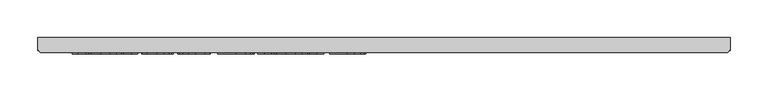
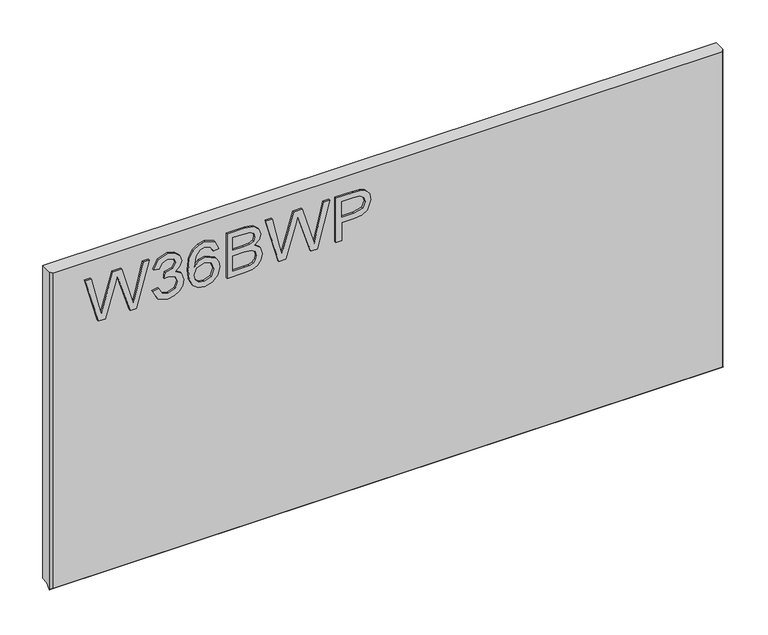
"""IFC4 building model written with IfcOpenShell, lengths in millimetres: furniture geometry."""

import ifcopenshell
import ifcopenshell.guid

model = None  # the IFC model being written
_history = None  # IfcOwnerHistory: only IFC2X3 demands one
_inside = {}  # id of a spatial element -> (the spatial element, [elements in it])
_under = {}  # id of a project, library or spatial element -> (it, [spatial elements below it])
_declared = {}  # id of a project -> (the project, [libraries it declares])
_typed = {}  # id of a type object -> (the type object, [elements of that type])
_made_of = {}  # id of a material, layer set ... -> (it, [elements and type objects made of it])


def new_model(schema):
    """Start an empty IFC model of exactly this schema.

    Asked for "IFC4X3", IfcOpenShell would pick the latest addendum, in which some entities
    have other attributes; the version numbers below select the first issue.
    IFC2X3 requires an IfcOwnerHistory on every rooted entity: one is made here for all.
    """
    global model, _history
    if schema == "IFC4X3":
        model = ifcopenshell.file(schema_version=(4, 3, 0, 0))
    else:
        model = ifcopenshell.file(schema=schema)
    _inside.clear()
    _under.clear()
    _declared.clear()
    _typed.clear()
    _made_of.clear()
    _history = None
    if model.schema == "IFC2X3":
        org = make("IfcOrganization", Name="unknown")
        user = make(
            "IfcPersonAndOrganization",
            ThePerson=make("IfcPerson", FamilyName="unknown"),
            TheOrganization=org,
        )
        app = make(
            "IfcApplication",
            ApplicationDeveloper=org,
            Version="unknown",
            ApplicationFullName="unknown",
            ApplicationIdentifier="unknown",
        )
        _history = make(
            "IfcOwnerHistory",
            OwningUser=user,
            OwningApplication=app,
            ChangeAction="ADDED",
            CreationDate=0,
        )
    return model


def make(cls, **values):
    """One entity of the class cls with the attributes given. An attribute that is None is left unset."""
    return model.create_entity(
        cls, **{name: value for name, value in values.items() if value is not None}
    )


def rooted(cls, **values):
    """An entity with a GlobalId (a new one), such as an element, a storey or a relation."""
    return make(cls, GlobalId=ifcopenshell.guid.new(), OwnerHistory=_history, **values)


def si_unit(unit_type, name, prefix=None):
    """IfcSIUnit, for example si_unit("LENGTHUNIT", "METRE", prefix="MILLI")."""
    return make("IfcSIUnit", UnitType=unit_type, Prefix=prefix, Name=name)


def assignment(units):
    """IfcUnitAssignment: the units of a project."""
    return None if units is None else make("IfcUnitAssignment", Units=units)


def point(xyz):
    """IfcCartesianPoint."""
    return None if xyz is None else make("IfcCartesianPoint", Coordinates=xyz)


def direction(xyz):
    """IfcDirection."""
    return None if xyz is None else make("IfcDirection", DirectionRatios=xyz)


def frame(location, z_axis=None, x_axis=None):
    """IfcAxis2Placement3D, a coordinate frame: its origin and axes. An axis left out is left unset."""
    return make(
        "IfcAxis2Placement3D",
        Location=point(location),
        Axis=direction(z_axis),
        RefDirection=direction(x_axis),
    )


def origin():
    """The frame at (0, 0, 0) with its axes left unset."""
    return frame((0.0, 0.0, 0.0))


def place(relative_to, where):
    """IfcLocalPlacement: puts the frame where relative to a parent placement (None: the world)."""
    return make(
        "IfcLocalPlacement", PlacementRelTo=relative_to, RelativePlacement=where
    )


def context(
    kind, dimensions, precision=None, world=None, true_north=None, identifier=None
):
    """IfcGeometricRepresentationContext, for example the 3D "Model" context."""
    return make(
        "IfcGeometricRepresentationContext",
        ContextIdentifier=identifier,
        ContextType=kind,
        CoordinateSpaceDimension=dimensions,
        Precision=precision,
        WorldCoordinateSystem=world,
        TrueNorth=true_north,
    )


def project(units=None, contexts=None):
    """IfcProject with its units and contexts."""
    return rooted(
        "IfcProject",
        Name="project",
        RepresentationContexts=contexts,
        UnitsInContext=assignment(units),
    )


def spatial(cls, under=None, at=None, **own):
    """A site, building, storey or space (cls), placed at a placement, below another one or the project."""
    s = rooted(cls, ObjectPlacement=at, **own)
    if under is not None:
        _under.setdefault(under.id(), (under, []))[1].append(s)
    return s


def polyline(points):
    """IfcPolyline through the points."""
    return make("IfcPolyline", Points=[point(p) for p in points])


def outline(outer, holes=None, kind="AREA"):
    """IfcArbitraryClosedProfileDef: a profile drawn as a closed curve; with holes, ...WithVoids."""
    if holes is None:
        return make("IfcArbitraryClosedProfileDef", ProfileType=kind, OuterCurve=outer)
    return make(
        "IfcArbitraryProfileDefWithVoids",
        ProfileType=kind,
        OuterCurve=outer,
        InnerCurves=holes,
    )


def extrude(swept, where, along, depth):
    """IfcExtrudedAreaSolid: the profile swept, set in the frame where, extruded along a direction by depth."""
    return make(
        "IfcExtrudedAreaSolid",
        SweptArea=swept,
        Position=where,
        ExtrudedDirection=direction(along),
        Depth=depth,
    )


def faces_of(points, faces, orient=None, outer=None):
    """IfcFace entities. A face is a list of loops; a loop is a list of indices into points, from 0.

    orient and outer hold one flag for each loop. By default every Orientation is true, the
    first loop of a face is its IfcFaceOuterBound and the others are IfcFaceBound.
    """
    made = []
    for i, loops in enumerate(faces):
        bounds = []
        for j, loop in enumerate(loops):
            is_outer = j == 0 if outer is None else outer[i][j]
            bounds.append(
                make(
                    "IfcFaceOuterBound" if is_outer else "IfcFaceBound",
                    Bound=make("IfcPolyLoop", Polygon=[points[k] for k in loop]),
                    Orientation=True if orient is None else orient[i][j],
                )
            )
        made.append(make("IfcFace", Bounds=bounds))
    return made


def faceted_brep(points, faces, orient=None, outer=None, voids=None):
    """IfcFacetedBrep: a solid bounded by flat faces; with voids (closed shells), ...WithVoids."""
    shared = [point(p) for p in points]
    hull = make("IfcClosedShell", CfsFaces=faces_of(shared, faces, orient, outer))
    if voids is None:
        return make("IfcFacetedBrep", Outer=hull)
    return make(
        "IfcFacetedBrepWithVoids",
        Outer=hull,
        Voids=[
            make(cls, CfsFaces=faces_of(shared, fs, o, b)) for cls, fs, o, b in voids
        ],
    )


def shape(context_of_items, identifier, shape_type, items):
    """IfcShapeRepresentation: the items that make up one representation, for example the "Body"."""
    return make(
        "IfcShapeRepresentation",
        ContextOfItems=context_of_items,
        RepresentationIdentifier=identifier,
        RepresentationType=shape_type,
        Items=items,
    )


def source(mapping_origin, context_of_items, identifier, shape_type, items):
    """IfcRepresentationMap: a shape defined once, which mapped items show again and again."""
    return make(
        "IfcRepresentationMap",
        MappingOrigin=mapping_origin,
        MappedRepresentation=shape(context_of_items, identifier, shape_type, items),
    )


def transform(
    local_origin,
    x_axis=None,
    y_axis=None,
    z_axis=None,
    scale=None,
    scale2=None,
    scale3=None,
    uniform=True,
):
    """IfcCartesianTransformationOperator3D, or its non-uniform kind. x_axis, y_axis, z_axis: its Axis1, 2, 3."""
    if uniform:
        return make(
            "IfcCartesianTransformationOperator3D",
            Axis1=direction(x_axis),
            Axis2=direction(y_axis),
            LocalOrigin=point(local_origin),
            Scale=scale,
            Axis3=direction(z_axis),
        )
    return make(
        "IfcCartesianTransformationOperator3DnonUniform",
        Axis1=direction(x_axis),
        Axis2=direction(y_axis),
        LocalOrigin=point(local_origin),
        Scale=scale,
        Axis3=direction(z_axis),
        Scale2=scale2,
        Scale3=scale3,
    )


def mapped(mapping_source, mapping_target):
    """IfcMappedItem: shows the shape of a source again, moved by a transform."""
    return make(
        "IfcMappedItem", MappingSource=mapping_source, MappingTarget=mapping_target
    )


def made_of(thing, what):
    """Note that an element or type object is made of a material, layer set ...; save() writes the relation."""
    if what is not None:
        _made_of.setdefault(what.id(), (what, []))[1].append(thing)
    return thing


def element(
    cls,
    number,
    at=None,
    inside=None,
    cuts=None,
    type_object=None,
    material=None,
    context=None,
    identifier="Body",
    shape_type=None,
    held_by="IfcProductDefinitionShape",
    body=None,
    shapes=None,
    **own,
):
    """One element of the class cls, such as IfcWall. Its Tag is "e" and its number.

    at: its placement. inside: the storey or other place that contains it. cuts: it is an
    opening in that element (IfcRelVoidsElement). A single representation is given by context,
    identifier, shape_type and body (its items); several are given by shapes. held_by: the class
    of the entity that holds the representations. save() writes the other relations.
    """
    e = rooted(cls, Tag="e%d" % number, ObjectPlacement=at, **own)
    if body is not None:
        shapes = [shape(context, identifier, shape_type, body)]
    if shapes is not None:
        e.Representation = make(held_by, Representations=shapes)
    if inside is not None:
        _inside.setdefault(inside.id(), (inside, []))[1].append(e)
    if cuts is not None:
        rooted(
            "IfcRelVoidsElement", RelatingBuildingElement=cuts, RelatedOpeningElement=e
        )
    if type_object is not None:
        _typed.setdefault(type_object.id(), (type_object, []))[1].append(e)
    return made_of(e, material)


def aggregate(whole, parts):
    """IfcRelAggregates: a whole, such as a stair, and the parts it consists of."""
    return rooted("IfcRelAggregates", RelatingObject=whole, RelatedObjects=parts)


def save(model, path):
    """Write the relations noted so far, then the file.

    IfcRelAggregates (storeys below a building ...), IfcRelContainedInSpatialStructure (elements
    in a storey), IfcRelDefinesByType, IfcRelAssociatesMaterial and IfcRelDeclares: one each for
    every whole, place, type object, material and project.
    """
    for whole, parts in _under.values():
        aggregate(whole, parts)
    for where, things in _inside.values():
        rooted(
            "IfcRelContainedInSpatialStructure",
            RelatedElements=things,
            RelatingStructure=where,
        )
    for kind, things in _typed.values():
        rooted("IfcRelDefinesByType", RelatedObjects=things, RelatingType=kind)
    for what, things in _made_of.values():
        rooted("IfcRelAssociatesMaterial", RelatedObjects=things, RelatingMaterial=what)
    for by, libraries in _declared.values():
        rooted("IfcRelDeclares", RelatingContext=by, RelatedDefinitions=libraries)
    model.write(path)


def furniture_7029ae09(model_context):
    return source(origin(), model_context, "Body", "SolidModel", [
        extrude(outline(polyline([(873.55172, -528.0197895), (873.55172, -518.3952607), (921.3628904, -504.4568251), (929.6325097, -502.0584797), (922.7645208, -499.9248868), (873.55172, -484.6315417), (873.55172, -476.1127436), (937.3414769, -458.7013793), (937.3414769, -466.9242776), (895.0433862, -477.1094586), (882.4754336, -480.1307508), (905.8670876, -486.9675924), (937.3414769, -496.1560583), (937.3414769, -508.0076221), (893.9220818, -520.653443), (882.4754336, -523.9862087), (895.4171543, -527.1009429), (937.3414769, -537.1926818), (937.3414769, -545.4155801), (873.55172, -528.0197895)])), frame((0.0, -21.9273437, 0.0), z_axis=(0.0, 1.0, 0.0), x_axis=(0.0, 0.0, 1.0)), (0.0, 0.0, 1.0), 2.38125),
        extrude(outline(polyline([(890.4958742, -453.7178045), (877.5541535, -447.3793204), (872.555005, -433.3941637), (874.0189301, -424.8714722), (878.4107054, -417.9606556), (884.9049263, -413.3819963), (892.6761881, -411.8557765), (903.0482531, -414.9082161), (908.499038, -423.5983246), (913.7785125, -417.0573827), (921.1292853, -414.8459214), (929.1730864, -417.1741852), (935.1533762, -423.9020111), (937.3414769, -433.5187531), (932.9029807, -446.1957214), (920.3973228, -452.7210896), (919.4006078, -444.74737), (926.8759699, -440.8383785), (929.3677573, -433.238427), (926.8993305, -425.7319175), (920.6620752, -422.819641), (913.6227758, -426.8376482), (911.4268882, -437.1629921), (903.4531686, -438.0506914), (904.3252942, -432.4597434), (901.06261, -423.3958668), (892.8163512, -419.8294961), (884.063948, -423.4270142), (880.5287247, -433.1138376), (883.0983804, -441.3445228), (891.4925891, -445.7440849), (890.4958742, -453.7178045)])), frame((0.0, -21.9273437, 0.0), z_axis=(0.0, 1.0, 0.0), x_axis=(0.0, 0.0, 1.0)), (0.0, 0.0, 1.0), 2.38125),
        extrude(outline(polyline([(920.3973228, -364.0134588), (932.840686, -369.9003065), (937.3414769, -382.4994064), (935.5232508, -391.7540605), (930.0685725, -398.8984821), (919.2098303, -404.1312356), (903.3285792, -405.8754868), (889.2032595, -404.3044927), (879.7188938, -399.5915105), (874.3459772, -392.3867409), (872.555005, -383.3403847), (875.257037, -372.8904514), (883.0438726, -365.6486943), (894.0466712, -363.0167439), (902.2189551, -364.4144808), (908.7326431, -368.6076918), (914.417033, -382.1567857), (912.3379479, -390.8702547), (905.9761033, -397.9017672), (920.1870782, -395.635798), (927.4366221, -390.1928), (929.3677573, -382.9977639), (926.0505654, -375.0084706), (919.4006078, -371.9871784), (920.3973228, -364.0134588)]), holes=[polyline([(894.1712606, -397.9017672), (903.05604, -393.9382679), (906.4433134, -384.2903786), (903.05604, -374.5179), (893.7819188, -370.9904635), (884.0950954, -374.564621), (880.5287247, -383.9633315), (882.2496153, -391.1505808), (887.2643374, -396.0562872), (894.1712606, -397.9017672)])]), frame((0.0, -21.9273438, 0.0), z_axis=(0.0, 1.0, 0.0), x_axis=(0.0, 0.0, 1.0)), (0.0, 0.0, 1.0), 2.38125),
        extrude(outline(polyline([(873.55172, -353.0495943), (873.55172, -328.8948304), (874.6496638, -318.6707153), (877.8889874, -311.7326448), (883.9938665, -307.083904), (892.5671724, -305.2072766), (902.487601, -307.9560296), (908.4367433, -315.8129467), (914.0821991, -309.3420863), (921.5342007, -307.2007065), (929.6948044, -309.7470018), (935.4648496, -316.7863011), (937.3414769, -328.7079464), (937.3414769, -353.0495943), (873.55172, -353.0495943)]), holes=[polyline([(911.4268882, -345.0758747), (929.3677573, -345.0758747), (929.3677573, -331.6202229), (928.5345659, -321.3727473), (925.4587659, -316.7785143), (920.2571597, -315.1744262), (915.0633404, -316.8953168), (912.1121297, -322.0112678), (911.4268882, -330.5144922), (911.4268882, -345.0758747)]), polyline([(881.5254396, -345.0758747), (903.4531686, -345.0758747), (903.4531686, -329.5022036), (902.3863721, -319.6518566), (898.6876252, -314.707216), (892.4893041, -313.1809963), (887.1163876, -314.4813978), (883.5733774, -317.7985897), (881.836913, -322.805525), (881.5254396, -328.72352), (881.5254396, -345.0758747)])]), frame((0.0, -21.9273437, 0.0), z_axis=(0.0, 1.0, 0.0), x_axis=(0.0, 0.0, 1.0)), (0.0, 0.0, 1.0), 2.38125),
        extrude(outline(polyline([(873.55172, -282.8279112), (873.55172, -273.2033825), (921.3628904, -259.2649468), (929.6325097, -256.8666014), (922.7645208, -254.7330085), (873.55172, -239.4396635), (873.55172, -230.9208653), (937.3414769, -213.509501), (937.3414769, -221.7323994), (895.0433862, -231.9175803), (882.4754336, -234.9388725), (905.8670876, -241.7757141), (937.3414769, -250.9641801), (937.3414769, -262.8157438), (893.9220818, -275.4615648), (882.4754336, -278.7943304), (895.4171543, -281.9090646), (937.3414769, -292.0008035), (937.3414769, -300.2237019), (873.55172, -282.8279112)])), frame((0.0, -21.9273437, 0.0), z_axis=(0.0, 1.0, 0.0), x_axis=(0.0, 0.0, 1.0)), (0.0, 0.0, 1.0), 2.38125),
        extrude(outline(polyline([(873.55172, -205.5357814), (873.55172, -197.5620618), (899.4663088, -197.5620618), (899.4663088, -181.3498701), (900.875726, -170.0219711), (905.1039777, -162.8249883), (918.8866767, -157.6934637), (927.584572, -159.5934516), (933.7517457, -164.6159605), (936.7341038, -172.3638619), (937.3414769, -181.8949486), (937.3414769, -205.5357814), (873.55172, -205.5357814)]), holes=[polyline([(907.4400284, -197.5620618), (929.3677573, -197.5620618), (929.3677573, -181.0695441), (928.8226788, -173.0958244), (925.2095871, -167.7151211), (918.6063506, -165.6671833), (910.3678785, -169.140112), (907.4400284, -180.88266), (907.4400284, -197.5620618)])]), frame((0.0, -21.9273437, 0.0), z_axis=(0.0, 1.0, 0.0), x_axis=(0.0, 0.0, 1.0)), (0.0, 0.0, 1.0), 2.38125),
        faceted_brep([(323.5377049, 0.0, 962.45172), (-590.8622951, 0.0, 962.45172), (-590.8622951, -15.9900937, 962.45172), (-587.6872951, -19.5460937, 962.45172), (320.3627049, -19.5460937, 962.45172), (323.5377049, -15.9900937, 962.45172), (-590.8622951, 0.0, 512.7625), (323.5377049, 0.0, 512.7625), (323.5377049, -10.0210937, 512.7625), (-590.8622951, -10.0210938, 512.7625), (-590.8622951, -15.9392937, 506.8443), (-590.8622951, -16.3710938, 506.4125), (-590.8622951, -16.8028938, 506.8443), (-587.6872951, -19.5460937, 509.5875), (320.3627049, -19.5460937, 509.5875), (323.5377049, -15.9900937, 506.8443), (323.5377049, -16.8028938, 506.8443), (323.5377049, -16.3710938, 506.4125), (322.8119906, -16.8028938, 506.8443), (-590.1365808, -16.8028938, 506.8443)], [[[0, 1, 2, 3, 4, 5]], [[6, 7, 8, 9]], [[1, 6, 9, 10, 2]], [[10, 11, 12]], [[3, 13, 14, 4]], [[7, 0, 5, 15, 8]], [[16, 17, 15]], [[1, 0, 7, 6]], [[11, 17, 16, 18, 14, 13, 19, 12]], [[17, 11, 10, 9, 8, 15]], [[19, 10, 12]], [[15, 18, 16]], [[10, 19, 13, 3, 2]], [[18, 15, 5, 4, 14]]]),
    ])


if __name__ == "__main__":
    model = new_model("IFC4")
    model_context = context("Model", 3, world=origin())
    ifc_project = project(units=[si_unit("LENGTHUNIT", "METRE", prefix="MILLI")], contexts=[model_context])
    site = spatial("IfcSite", under=ifc_project)
    building = spatial("IfcBuilding", under=site)
    placement = place(None, origin())
    furniture_shape = furniture_7029ae09(model_context)
    element("IfcFurniture", 1, at=placement, inside=building, context=model_context, shape_type="MappedRepresentation", body=[
        mapped(furniture_shape, transform((0.0, 0.0, 0.0), x_axis=(1.0, 0.0, 0.0), y_axis=(0.0, 1.0, 0.0), z_axis=(0.0, 0.0, 1.0))),
    ])
    save(model, "model.ifc")
